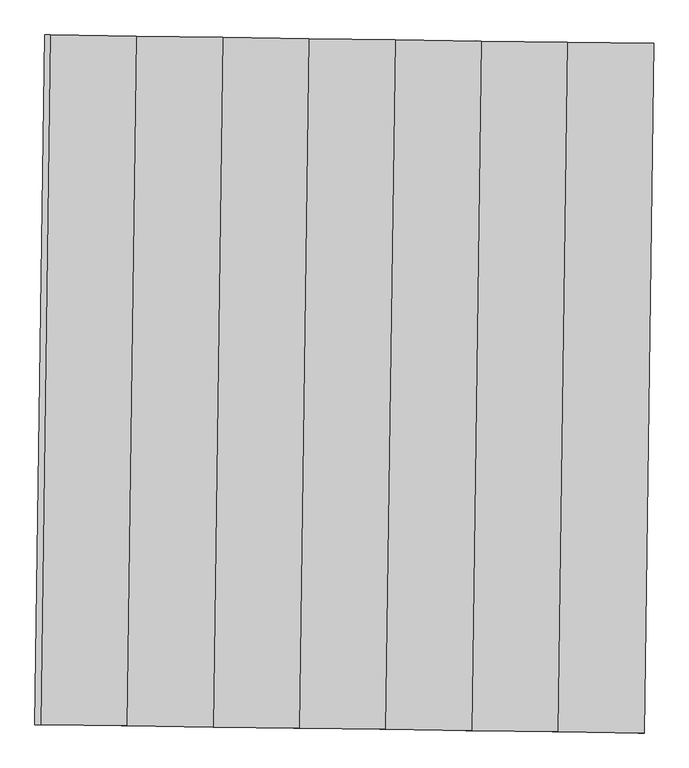
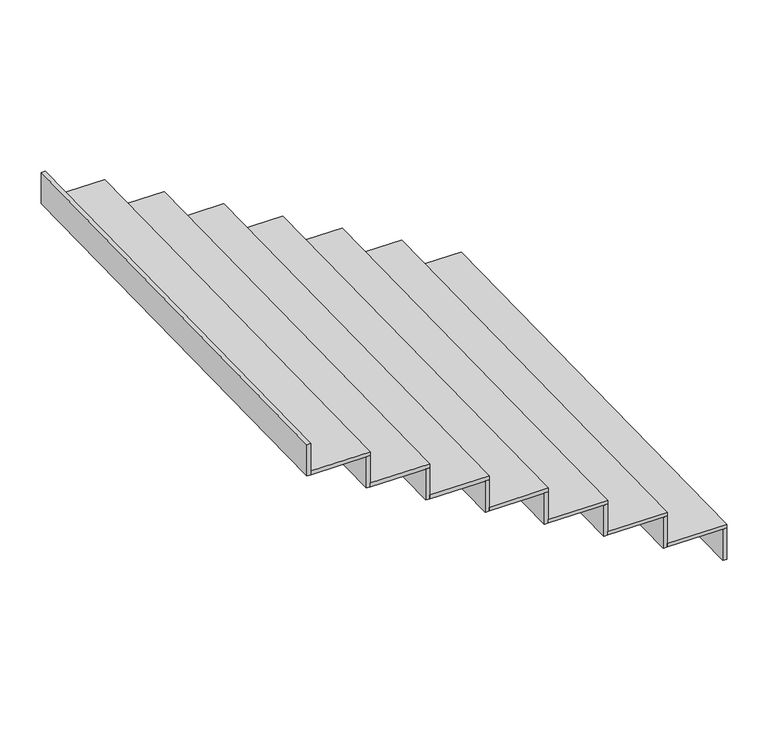
"""IFC4 building model written with IfcOpenShell, lengths in millimetres: stair flight geometry."""

from ifc_helpers import new_model, si_unit, frame, origin, place, context, project, spatial, polyline, outline, extrude, source, transform, mapped, element, save


def stair_flight_840b84b7(model_context):
    return source(origin(), model_context, "Body", "SweptSolid", [
        extrude(outline(polyline([(-138029.7128166, 88143.2270756), (-138009.7147661, 88142.947832), (-138043.2239989, 85743.1817744), (-138063.2220494, 85743.461018), (-138029.7128166, 88143.2270756)])), frame((0.0, 0.0, 1923.5), z_axis=(0.0, 0.0, 1.0), x_axis=(1.0, 0.0, 0.0)), (0.0, 0.0, 1.0), 167.5),
        extrude(outline(polyline([(-138343.1947561, 85747.3704285), (-138309.6855233, 88147.1364861), (-138009.7147661, 88142.947832), (-138043.2239989, 85743.1817744), (-138343.1947561, 85747.3704285)])), frame((0.0, 0.0, 2091.0), z_axis=(0.0, 0.0, 1.0), x_axis=(1.0, 0.0, 0.0)), (0.0, 0.0, 1.0), 20.0),
        extrude(outline(polyline([(-138329.6835738, 88147.4157297), (-138309.6855233, 88147.1364861), (-138343.1947561, 85747.3704285), (-138363.1928066, 85747.6496721), (-138329.6835738, 88147.4157297)])), frame((0.0, 0.0, 2091.0), z_axis=(0.0, 0.0, 1.0), x_axis=(1.0, 0.0, 0.0)), (0.0, 0.0, 1.0), 167.5),
        extrude(outline(polyline([(-138643.1655133, 85751.5590826), (-138609.6562805, 88151.3251402), (-138309.6855233, 88147.1364861), (-138343.1947561, 85747.3704285), (-138643.1655133, 85751.5590826)])), frame((0.0, 0.0, 2258.5), z_axis=(0.0, 0.0, 1.0), x_axis=(1.0, 0.0, 0.0)), (0.0, 0.0, 1.0), 20.0),
        extrude(outline(polyline([(-138629.654331, 88151.6043838), (-138609.6562805, 88151.3251402), (-138643.1655133, 85751.5590826), (-138663.1635638, 85751.8383262), (-138629.654331, 88151.6043838)])), frame((0.0, 0.0, 2258.5), z_axis=(0.0, 0.0, 1.0), x_axis=(1.0, 0.0, 0.0)), (0.0, 0.0, 1.0), 167.5),
        extrude(outline(polyline([(-138943.1362705, 85755.7477367), (-138909.6270377, 88155.5137943), (-138609.6562805, 88151.3251402), (-138643.1655133, 85751.5590826), (-138943.1362705, 85755.7477367)])), frame((0.0, 0.0, 2426.0), z_axis=(0.0, 0.0, 1.0), x_axis=(1.0, 0.0, 0.0)), (0.0, 0.0, 1.0), 20.0),
        extrude(outline(polyline([(-138929.6250882, 88155.7930379), (-138909.6270377, 88155.5137943), (-138943.1362705, 85755.7477367), (-138963.134321, 85756.0269803), (-138929.6250882, 88155.7930379)])), frame((0.0, 0.0, 2426.0), z_axis=(0.0, 0.0, 1.0), x_axis=(1.0, 0.0, 0.0)), (0.0, 0.0, 1.0), 167.5),
        extrude(outline(polyline([(-139243.1070277, 85759.9363908), (-139209.5977949, 88159.7024484), (-138909.6270377, 88155.5137943), (-138943.1362705, 85755.7477367), (-139243.1070277, 85759.9363908)])), frame((0.0, 0.0, 2593.5), z_axis=(0.0, 0.0, 1.0), x_axis=(1.0, 0.0, 0.0)), (0.0, 0.0, 1.0), 20.0),
        extrude(outline(polyline([(-139229.5958454, 88159.981692), (-139209.5977949, 88159.7024484), (-139243.1070277, 85759.9363908), (-139263.1050782, 85760.2156344), (-139229.5958454, 88159.981692)])), frame((0.0, 0.0, 2593.5), z_axis=(0.0, 0.0, 1.0), x_axis=(1.0, 0.0, 0.0)), (0.0, 0.0, 1.0), 167.5),
        extrude(outline(polyline([(-139543.0777849, 85764.1250449), (-139509.5685521, 88163.8911025), (-139209.5977949, 88159.7024484), (-139243.1070277, 85759.9363908), (-139543.0777849, 85764.1250449)])), frame((0.0, 0.0, 2761.0), z_axis=(0.0, 0.0, 1.0), x_axis=(1.0, 0.0, 0.0)), (0.0, 0.0, 1.0), 20.0),
        extrude(outline(polyline([(-139529.5666026, 88164.1703461), (-139509.5685521, 88163.8911025), (-139543.0777849, 85764.1250449), (-139563.0758354, 85764.4042885), (-139529.5666026, 88164.1703461)])), frame((0.0, 0.0, 2761.0), z_axis=(0.0, 0.0, 1.0), x_axis=(1.0, 0.0, 0.0)), (0.0, 0.0, 1.0), 167.5),
        extrude(outline(polyline([(-139843.0485421, 85768.313699), (-139809.5393093, 88168.0797566), (-139509.5685521, 88163.8911025), (-139543.0777849, 85764.1250449), (-139843.0485421, 85768.313699)])), frame((0.0, 0.0, 2928.5), z_axis=(0.0, 0.0, 1.0), x_axis=(1.0, 0.0, 0.0)), (0.0, 0.0, 1.0), 20.0),
        extrude(outline(polyline([(-139829.5373598, 88168.3590002), (-139809.5393093, 88168.0797566), (-139843.0485421, 85768.313699), (-139863.0465926, 85768.5929426), (-139829.5373598, 88168.3590002)])), frame((0.0, 0.0, 2928.5), z_axis=(0.0, 0.0, 1.0), x_axis=(1.0, 0.0, 0.0)), (0.0, 0.0, 1.0), 167.5),
        extrude(outline(polyline([(-140129.508117, 88172.5476543), (-140109.5100665, 88172.2684107), (-140143.0192993, 85772.5023531), (-140163.0173498, 85772.7815967), (-140129.508117, 88172.5476543)])), frame((0.0, 0.0, 3096.0), z_axis=(0.0, 0.0, 1.0), x_axis=(1.0, 0.0, 0.0)), (0.0, 0.0, 1.0), 167.5),
        extrude(outline(polyline([(-140143.0192993, 85772.5023531), (-140109.5100665, 88172.2684107), (-139809.5393093, 88168.0797566), (-139843.0485421, 85768.313699), (-140143.0192993, 85772.5023531)])), frame((0.0, 0.0, 3096.0), z_axis=(0.0, 0.0, 1.0), x_axis=(1.0, 0.0, 0.0)), (0.0, 0.0, 1.0), 20.0),
    ])


if __name__ == "__main__":
    model = new_model("IFC4")
    model_context = context("Model", 3, world=origin())
    ifc_project = project(units=[si_unit("LENGTHUNIT", "METRE", prefix="MILLI")], contexts=[model_context])
    site = spatial("IfcSite", under=ifc_project)
    building = spatial("IfcBuilding", under=site)
    placement = place(None, origin())
    stair_flight_shape = stair_flight_840b84b7(model_context)
    element("IfcStairFlight", 1, at=placement, inside=building, context=model_context, shape_type="MappedRepresentation", body=[
        mapped(stair_flight_shape, transform((0.0, 0.0, 0.0), x_axis=(1.0, 0.0, 0.0), y_axis=(0.0, 1.0, 0.0), z_axis=(0.0, 0.0, 1.0))),
    ])
    save(model, "model.ifc")
